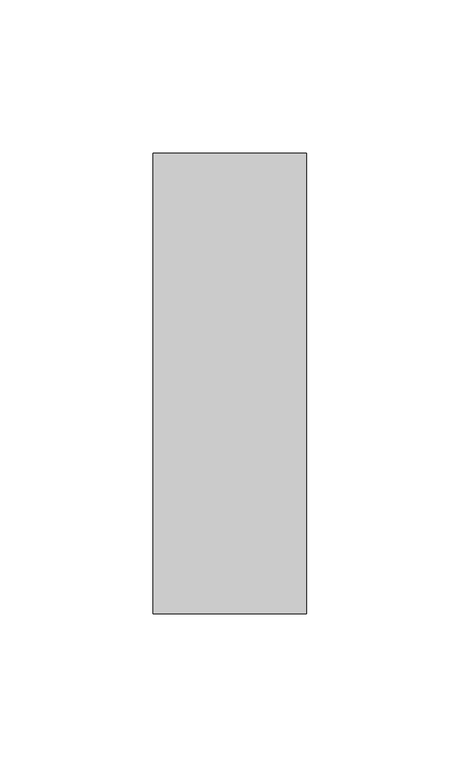
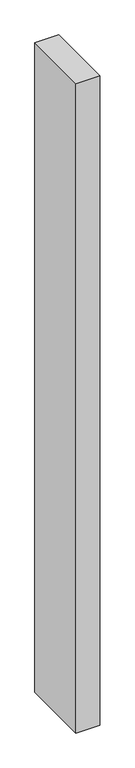
"""IFC4 building model written with IfcOpenShell, lengths in millimetres: member geometry."""

from ifc_helpers import new_model, si_unit, frame, origin, place, context, project, spatial, polyline, outline, extrude, source, transform, mapped, element, save


def member_f0154c62(model_context):
    return source(origin(), model_context, "Body", "SweptSolid", [
        extrude(outline(polyline([(25.0, 75.0), (25.0, -75.0), (-25.0, -75.0), (-25.0, 75.0), (25.0, 75.0)])), frame((0.0, 0.0, -1450.0), z_axis=(0.0, 0.0, 1.0), x_axis=(1.0, 0.0, 0.0)), (0.0, 0.0, 1.0), 1450.0),
    ])


if __name__ == "__main__":
    model = new_model("IFC4")
    model_context = context("Model", 3, world=origin())
    ifc_project = project(units=[si_unit("LENGTHUNIT", "METRE", prefix="MILLI")], contexts=[model_context])
    site = spatial("IfcSite", under=ifc_project)
    building = spatial("IfcBuilding", under=site)
    placement = place(None, origin())
    member_shape = member_f0154c62(model_context)
    element("IfcMember", 1, at=placement, inside=building, context=model_context, shape_type="MappedRepresentation", body=[
        mapped(member_shape, transform((0.0, 0.0, 0.0), x_axis=(1.0, 0.0, 0.0), y_axis=(0.0, 1.0, 0.0), z_axis=(0.0, 0.0, 1.0))),
    ])
    save(model, "model.ifc")
